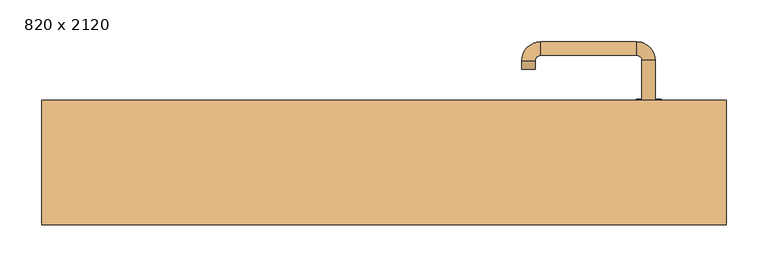
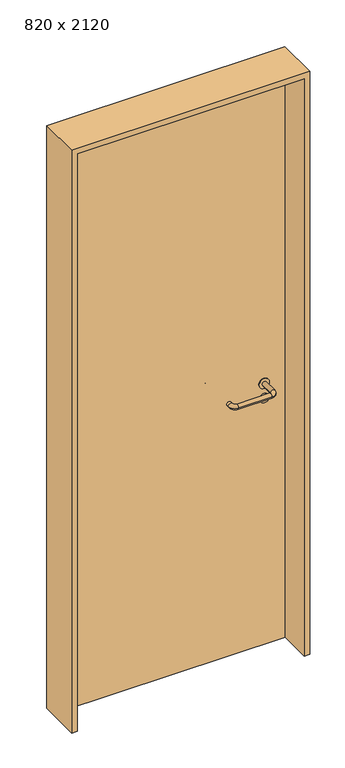
"""IFC4 building model written with IfcOpenShell, lengths in millimetres: door geometry, 820 x 2120."""

from ifc_helpers import new_model, si_unit, point, frame, frame_2d, origin, origin_with_axes, place, context, project, spatial, polyline, circle_curve, ellipse_curve, trimmed, segment, composite_curve, outline, extrude, source, transform, mapped, element, save
from ifc_brep_helpers import plane_surface, cylinder_surface, revolved_surface, advanced_brep


def door_820_x_2120_3c08c03d(model_context):
    return source(origin(), model_context, "Body", "SolidModel", [
        extrude(outline(composite_curve([segment(trimmed(circle_curve(frame_2d((897.3605726, 317.0)), 15.0), [point((897.3605726, 332.0))], [point((897.3605726, 302.0))], False, "CARTESIAN"), True, "CONTINUOUS"), segment(trimmed(circle_curve(frame_2d((897.3605726, 317.0)), 15.0), [point((897.3605726, 302.0))], [point((897.3605726, 332.0))], False, "CARTESIAN"), True, "CONTINUOUS")], self_intersect=False), holes=[composite_curve([segment(trimmed(circle_curve(frame_2d((892.5833211, 316.9398032)), 2.0), [point((892.5833211, 318.9398032))], [point((892.5833211, 314.9398032))], True, "CARTESIAN"), True, "CONTINUOUS"), segment(polyline([(892.5833211, 314.9398032), (902.5833211, 314.9398032)]), True, "CONTINUOUS"), segment(trimmed(circle_curve(frame_2d((902.5833211, 316.9398032)), 2.0), [point((902.5833211, 314.9398032))], [point((902.5833211, 318.9398032))], True, "CARTESIAN"), True, "CONTINUOUS"), segment(polyline([(902.5833211, 318.9398032), (892.5833211, 318.9398032)]), True, "CONTINUOUS")], self_intersect=False)]), frame((0.0, 33.65, 0.0), z_axis=(0.0, 1.0, 0.0), x_axis=(0.0, 0.0, 1.0)), (0.0, 0.0, 1.0), 6.35),
        extrude(outline(composite_curve([segment(trimmed(circle_curve(frame_2d((950.0, 317.0)), 17.526), [point((950.0, 334.526))], [point((950.0, 299.474))], False, "CARTESIAN"), True, "CONTINUOUS"), segment(trimmed(circle_curve(frame_2d((950.0, 317.0)), 17.526), [point((950.0, 299.474))], [point((950.0, 334.526))], False, "CARTESIAN"), True, "CONTINUOUS")], self_intersect=False)), frame((0.0, 36.825, 0.0), z_axis=(0.0, 1.0, 0.0), x_axis=(0.0, 0.0, 1.0)), (0.0, 0.0, 1.0), 3.175),
        advanced_brep(
        [(325.0, 40.0, 950.0), (309.0, 40.0, 950.0), (309.0, -13.0, 950.0), (325.0, -13.0, 950.0), (302.8578644, -19.1421356, 950.0), (302.8578644, -35.1421356, 950.0), (187.8578644, -19.1421356, 950.0), (187.8578644, -35.1421356, 950.0), (181.008622, -12.2928932, 950.0), (165.008622, -12.2928932, 950.0), (165.008622, -2.2928932, 950.0), (181.008622, -2.2928932, 950.0)],
        [
            (0, 1, circle_curve(frame((317.0, 40.0, 950.0), z_axis=(0.0, 1.0, 0.0), x_axis=(-1.0, 0.0, 0.0)), 8.0)),
            (1, 0, circle_curve(frame((317.0, 40.0, 950.0), z_axis=(0.0, 1.0, 0.0), x_axis=(-1.0, 0.0, 0.0)), 8.0)),
            (1, 2),
            (2, 3, circle_curve(frame((317.0, -13.0, 950.0), z_axis=(0.0, 1.0, 0.0), x_axis=(-1.0, 0.0, 0.0)), 8.0)),
            (3, 0),
            (3, 2, circle_curve(frame((317.0, -13.0, 950.0), z_axis=(0.0, 1.0, 0.0), x_axis=(-1.0, 0.0, 0.0)), 8.0)),
            (4, 5, circle_curve(frame((302.8578644, -27.1421356, 950.0), z_axis=(1.0, 0.0, 0.0), x_axis=(0.0, 1.0, 0.0)), 8.0)),
            (5, 3, circle_curve(frame((302.8578644, -13.0, 950.0), z_axis=(0.0, 0.0, 1.0), x_axis=(1.0, 0.0, 0.0)), 22.1421356)),
            (2, 4, circle_curve(frame((302.8578644, -13.0, 950.0), z_axis=(0.0, 0.0, -1.0), x_axis=(1.0, 0.0, 0.0)), 6.1421356)),
            (5, 4, circle_curve(frame((302.8578644, -27.1421356, 950.0), z_axis=(1.0, 0.0, 0.0), x_axis=(0.0, 1.0, 0.0)), 8.0)),
            (4, 6),
            (6, 7, circle_curve(frame((187.8578644, -27.1421356, 950.0), z_axis=(1.0, 0.0, 0.0), x_axis=(0.0, 1.0, 0.0)), 8.0)),
            (7, 5),
            (7, 6, circle_curve(frame((187.8578644, -27.1421356, 950.0), z_axis=(1.0, 0.0, 0.0), x_axis=(0.0, 1.0, 0.0)), 8.0)),
            (8, 9, circle_curve(frame((173.008622, -12.2928932, 950.0), z_axis=(0.0, -1.0, 0.0), x_axis=(1.0, 0.0, 0.0)), 8.0)),
            (9, 7, circle_curve(frame((187.8578644, -12.2928932, 950.0), z_axis=(0.0, 0.0, 1.0), x_axis=(0.0, -1.0, 0.0)), 22.8492424)),
            (6, 8, circle_curve(frame((187.8578644, -12.2928932, 950.0), z_axis=(0.0, 0.0, -1.0), x_axis=(0.0, -1.0, 0.0)), 6.8492424)),
            (9, 8, circle_curve(frame((173.008622, -12.2928932, 950.0), z_axis=(0.0, -1.0, 0.0), x_axis=(1.0, 0.0, 0.0)), 8.0)),
            (10, 11, circle_curve(frame((173.008622, -2.2928932, 950.0), z_axis=(0.0, 1.0, 0.0), x_axis=(1.0, 0.0, 0.0)), 8.0)),
            (11, 10, circle_curve(frame((173.008622, -2.2928932, 950.0), z_axis=(0.0, 1.0, 0.0), x_axis=(1.0, 0.0, 0.0)), 8.0)),
            (8, 11),
            (10, 9),
        ],
        [
            plane_surface(frame((317.0, 40.0, 0.0), z_axis=(0.0, 1.0, 0.0), x_axis=(0.0, 0.0, 1.0))),
            cylinder_surface(frame((317.0, 40.0, 950.0), z_axis=(0.0, 1.0, 0.0), x_axis=(-1.0, 0.0, 0.0)), 8.0),
            revolved_surface(trimmed(ellipse_curve(frame((317.0, -13.0, 950.0), z_axis=(0.0, -1.0, 0.0), x_axis=(-1.0, 0.0, 0.0)), 8.0, 8.0), [point((325.0, -13.0, 950.0))], [point((309.0, -13.0, 950.0))], True, "CARTESIAN"), (302.8578644, -13.0, 0.0), (0.0, 0.0, 1.0)),
            revolved_surface(trimmed(ellipse_curve(frame((317.0, -13.0, 950.0), z_axis=(0.0, -1.0, 0.0), x_axis=(-1.0, 0.0, 0.0)), 8.0, 8.0), [point((309.0, -13.0, 950.0))], [point((325.0, -13.0, 950.0))], True, "CARTESIAN"), (302.8578644, -13.0, 0.0), (0.0, 0.0, 1.0)),
            cylinder_surface(frame((302.8578644, -27.1421356, 950.0), z_axis=(1.0, 0.0, 0.0), x_axis=(0.0, 1.0, 0.0)), 8.0),
            revolved_surface(trimmed(ellipse_curve(frame((187.8578644, -27.1421356, 950.0), z_axis=(-1.0, 0.0, 0.0), x_axis=(0.0, 1.0, 0.0)), 8.0, 8.0), [point((187.8578644, -35.1421356, 950.0))], [point((187.8578644, -19.1421356, 950.0))], True, "CARTESIAN"), (187.8578644, -12.2928932, 0.0), (0.0, 0.0, 1.0)),
            revolved_surface(trimmed(ellipse_curve(frame((187.8578644, -27.1421356, 950.0), z_axis=(-1.0, 0.0, 0.0), x_axis=(0.0, 1.0, 0.0)), 8.0, 8.0), [point((187.8578644, -19.1421356, 950.0))], [point((187.8578644, -35.1421356, 950.0))], True, "CARTESIAN"), (187.8578644, -12.2928932, 0.0), (0.0, 0.0, 1.0)),
            plane_surface(frame((173.008622, -2.2928932, 0.0), z_axis=(0.0, 1.0, 0.0), x_axis=(0.0, 0.0, 1.0))),
            cylinder_surface(frame((173.008622, -12.2928932, 950.0), z_axis=(0.0, -1.0, 0.0), x_axis=(1.0, 0.0, 0.0)), 8.0),
        ],
        [
            (0, [[1, 2]]),
            (1, [[3, 4, 5, -2]]),
            (1, [[-5, 6, -3, -1]]),
            (2, [[7, 8, -4, 9]]),
            (3, [[10, -9, -6, -8]]),
            (4, [[11, 12, 13, -7]]),
            (4, [[-13, 14, -11, -10]]),
            (5, [[15, 16, -12, 17]]),
            (6, [[18, -17, -14, -16]]),
            (7, [[19, 20]]),
            (8, [[21, -19, 22, -15]]),
            (8, [[-22, -20, -21, -18]]),
        ],
    ),
        extrude(outline(composite_curve([segment(trimmed(circle_curve(frame_2d((0.0, -15.0)), 15.0), [point((0.0, -30.0))], [point((0.0, 0.0))], False, "CARTESIAN"), True, "CONTINUOUS"), segment(trimmed(circle_curve(frame_2d((0.0, -15.0)), 15.0), [point((0.0, 0.0))], [point((0.0, -30.0))], False, "CARTESIAN"), True, "CONTINUOUS")], self_intersect=False), holes=[composite_curve([segment(trimmed(circle_curve(frame_2d((4.7772515, -14.9398032)), 2.0), [point((4.7772515, -16.9398032))], [point((4.7772515, -12.9398032))], True, "CARTESIAN"), True, "CONTINUOUS"), segment(polyline([(4.7772515, -12.9398032), (-5.2227485, -12.9398032)]), True, "CONTINUOUS"), segment(trimmed(circle_curve(frame_2d((-5.2227485, -14.9398032)), 2.0), [point((-5.2227485, -12.9398032))], [point((-5.2227485, -16.9398032))], True, "CARTESIAN"), True, "CONTINUOUS"), segment(polyline([(-5.2227485, -16.9398032), (4.7772515, -16.9398032)]), True, "CONTINUOUS")], self_intersect=False)]), frame((302.0, 70.0, 897.3605726), z_axis=(1.8870575173328306e-12, 1.0, 0.0), x_axis=(0.0, 0.0, -1.0)), (0.0, 0.0, 1.0), 6.35),
        extrude(outline(composite_curve([segment(trimmed(circle_curve(frame_2d((0.0, -17.526)), 17.526), [point((0.0, -35.052))], [point((0.0, 0.0))], False, "CARTESIAN"), True, "CONTINUOUS"), segment(trimmed(circle_curve(frame_2d((0.0, -17.526)), 17.526), [point((0.0, 0.0))], [point((0.0, -35.052))], False, "CARTESIAN"), True, "CONTINUOUS")], self_intersect=False)), frame((299.474, 70.0, 950.0), z_axis=(1.8870575173328306e-12, 1.0, 0.0), x_axis=(0.0, 0.0, -1.0)), (0.0, 0.0, 1.0), 3.175),
        advanced_brep(
        [(325.0, 70.0, 950.0), (309.0, 70.0, 950.0), (325.0, 123.0, 950.0), (309.0, 123.0, 950.0), (302.8578644, 129.1421356, 950.0), (302.8578644, 145.1421356, 950.0), (187.8578644, 145.1421356, 950.0), (187.8578644, 129.1421356, 950.0), (181.008622, 122.2928932, 950.0), (165.008622, 122.2928932, 950.0), (165.008622, 112.2928932, 950.0), (181.008622, 112.2928932, 950.0)],
        [
            (0, 1, circle_curve(frame((317.0, 70.0, 950.0), z_axis=(-1.888672253512351e-12, -1.0, 0.0), x_axis=(-1.0, 1.888672253512351e-12, 0.0)), 8.0)),
            (1, 0, circle_curve(frame((317.0, 70.0, 950.0), z_axis=(-1.888672253512351e-12, -1.0, 0.0), x_axis=(-1.0, 1.888672253512351e-12, 0.0)), 8.0)),
            (0, 2),
            (2, 3, circle_curve(frame((317.0, 123.0, 950.0), z_axis=(-1.888672253512351e-12, -1.0, 0.0), x_axis=(-1.0, 1.888672253512351e-12, 0.0)), 8.0)),
            (3, 1),
            (3, 2, circle_curve(frame((317.0, 123.0, 950.0), z_axis=(-1.888672253512351e-12, -1.0, 0.0), x_axis=(-1.0, 1.888672253512351e-12, 0.0)), 8.0)),
            (4, 3, circle_curve(frame((302.8578644, 123.0, 950.0), z_axis=(0.0, 0.0, -1.0), x_axis=(1.0, -1.880717803715015e-12, 0.0)), 6.1421356)),
            (2, 5, circle_curve(frame((302.8578644, 123.0, 950.0), z_axis=(0.0, 0.0, 1.0), x_axis=(1.0, -1.880717803715015e-12, 0.0)), 22.1421356)),
            (5, 4, circle_curve(frame((302.8578644, 137.1421356, 950.0), z_axis=(1.0, -1.913702061528922e-12, 0.0), x_axis=(-1.913702061528922e-12, -1.0, 0.0)), 8.0)),
            (4, 5, circle_curve(frame((302.8578644, 137.1421356, 950.0), z_axis=(1.0, -1.913702061528922e-12, 0.0), x_axis=(-1.913702061528922e-12, -1.0, 0.0)), 8.0)),
            (5, 6),
            (6, 7, circle_curve(frame((187.8578644, 137.1421356, 950.0), z_axis=(1.0, -1.913719828541269e-12, 0.0), x_axis=(-1.913719828541269e-12, -1.0, 0.0)), 8.0)),
            (7, 4),
            (7, 6, circle_curve(frame((187.8578644, 137.1421356, 950.0), z_axis=(1.0, -1.913719828541269e-12, 0.0), x_axis=(-1.913719828541269e-12, -1.0, 0.0)), 8.0)),
            (8, 7, circle_curve(frame((187.8578644, 122.2928932, 950.0), z_axis=(0.0, 0.0, -1.0), x_axis=(1.9120873253494017e-12, 1.0, 0.0)), 6.8492424)),
            (6, 9, circle_curve(frame((187.8578644, 122.2928932, 950.0), z_axis=(0.0, 0.0, 1.0), x_axis=(1.9120873253494017e-12, 1.0, 0.0)), 22.8492424)),
            (9, 8, circle_curve(frame((173.008622, 122.2928932, 950.0), z_axis=(1.890448610351751e-12, 1.0, 0.0), x_axis=(1.0, -1.890448610351751e-12, 0.0)), 8.0)),
            (8, 9, circle_curve(frame((173.008622, 122.2928932, 950.0), z_axis=(1.8888942981172756e-12, 1.0, 0.0), x_axis=(1.0, -1.8888942981172756e-12, 0.0)), 8.0)),
            (10, 11, circle_curve(frame((173.008622, 112.2928932, 950.0), z_axis=(-1.8903642334018795e-12, -1.0, 0.0), x_axis=(1.0, -1.8903642334018795e-12, 0.0)), 8.0)),
            (11, 10, circle_curve(frame((173.008622, 112.2928932, 950.0), z_axis=(-1.8903642334018795e-12, -1.0, 0.0), x_axis=(1.0, -1.8903642334018795e-12, 0.0)), 8.0)),
            (9, 10),
            (11, 8),
        ],
        [
            plane_surface(frame((317.0, 70.0, 0.0), z_axis=(-1.8870575173328306e-12, -1.0, 0.0), x_axis=(0.0, 0.0, 1.0))),
            cylinder_surface(frame((317.0, 70.0, 950.0), z_axis=(-1.888672253512351e-12, -1.0, 0.0), x_axis=(-1.0, 1.888672253512351e-12, 0.0)), 8.0),
            revolved_surface(trimmed(ellipse_curve(frame((317.0, 123.0, 950.0), z_axis=(-1.8823325398945356e-12, -1.0, 0.0), x_axis=(-1.0, 1.8823325398945356e-12, 0.0)), 8.0, 8.0), [point((325.0, 123.0, 950.0))], [point((309.0, 123.0, 950.0))], True, "CARTESIAN"), (302.8578644, 123.0, 0.0), (0.0, 0.0, 1.0)),
            revolved_surface(trimmed(ellipse_curve(frame((317.0, 123.0, 950.0), z_axis=(-1.8823325398945356e-12, -1.0, 0.0), x_axis=(-1.0, 1.8823325398945356e-12, 0.0)), 8.0, 8.0), [point((309.0, 123.0, 950.0))], [point((325.0, 123.0, 950.0))], True, "CARTESIAN"), (302.8578644, 123.0, 0.0), (0.0, 0.0, 1.0)),
            cylinder_surface(frame((302.8578644, 137.1421356, 950.0), z_axis=(1.0, -1.913719828541269e-12, 0.0), x_axis=(-1.913719828541269e-12, -1.0, 0.0)), 8.0),
            revolved_surface(trimmed(ellipse_curve(frame((187.8578644, 137.1421356, 950.0), z_axis=(1.0, -1.913702061528922e-12, 0.0), x_axis=(-1.913702061528922e-12, -1.0, 0.0)), 8.0, 8.0), [point((187.8578644, 145.1421356, 950.0))], [point((187.8578644, 129.1421356, 950.0))], True, "CARTESIAN"), (187.8578644, 122.2928932, 0.0), (0.0, 0.0, 1.0)),
            revolved_surface(trimmed(ellipse_curve(frame((187.8578644, 137.1421356, 950.0), z_axis=(1.0, -1.913702061528922e-12, 0.0), x_axis=(-1.913702061528922e-12, -1.0, 0.0)), 8.0, 8.0), [point((187.8578644, 129.1421356, 950.0))], [point((187.8578644, 145.1421356, 950.0))], True, "CARTESIAN"), (187.8578644, 122.2928932, 0.0), (0.0, 0.0, 1.0)),
            plane_surface(frame((173.008622, 112.2928932, 0.0), z_axis=(-1.8887494972223595e-12, -1.0, 0.0), x_axis=(0.0, 0.0, 1.0))),
            cylinder_surface(frame((173.008622, 122.2928932, 950.0), z_axis=(1.8903642334018795e-12, 1.0, 0.0), x_axis=(1.0, -1.8903642334018795e-12, 0.0)), 8.0),
        ],
        [
            (0, [[1, 2]]),
            (1, [[-1, 3, 4, 5]]),
            (1, [[-2, -5, 6, -3]]),
            (2, [[7, -4, 8, 9]]),
            (3, [[-8, -6, -7, 10]]),
            (4, [[-9, 11, 12, 13]]),
            (4, [[-10, -13, 14, -11]]),
            (5, [[15, -12, 16, 17]]),
            (6, [[-16, -14, -15, 18]]),
            (7, [[19, 20]]),
            (8, [[-17, 21, -20, 22]]),
            (8, [[-18, -22, -19, -21]]),
        ],
    ),
        extrude(outline(polyline([(2100.0, 390.0), (0.0, 390.0), (0.0, 410.0), (2120.0, 410.0), (2120.0, -410.0), (0.0, -410.0), (0.0, -390.0), (2100.0, -390.0), (2100.0, 390.0)])), frame((0.0, -74.0, 0.0), z_axis=(0.0, 1.0, 0.0), x_axis=(0.0, 0.0, 1.0)), (0.0, 0.0, 1.0), 149.0),
        extrude(outline(polyline([(-390.0, 70.0), (390.0, 70.0), (390.0, 40.0), (-390.0, 40.0), (-390.0, 70.0)])), origin_with_axes(), (0.0, 0.0, 1.0), 2100.0),
    ])


if __name__ == "__main__":
    model = new_model("IFC4")
    model_context = context("Model", 3, world=origin())
    ifc_project = project(units=[si_unit("LENGTHUNIT", "METRE", prefix="MILLI")], contexts=[model_context])
    site = spatial("IfcSite", under=ifc_project)
    building = spatial("IfcBuilding", under=site)
    placement = place(None, origin())
    door_820_x_2120_shape = door_820_x_2120_3c08c03d(model_context)
    element("IfcDoor", 1, ObjectType="820 x 2120", at=placement, inside=building, context=model_context, shape_type="MappedRepresentation", body=[
        mapped(door_820_x_2120_shape, transform((0.0, 0.0, 0.0), x_axis=(1.0, 0.0, 0.0), y_axis=(0.0, 1.0, 0.0), z_axis=(0.0, 0.0, 1.0))),
    ])
    save(model, "model.ifc")
